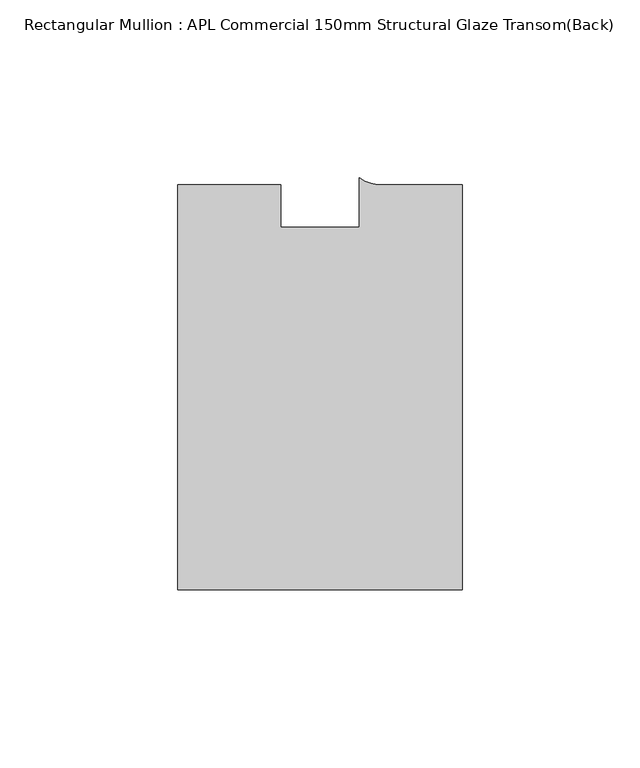
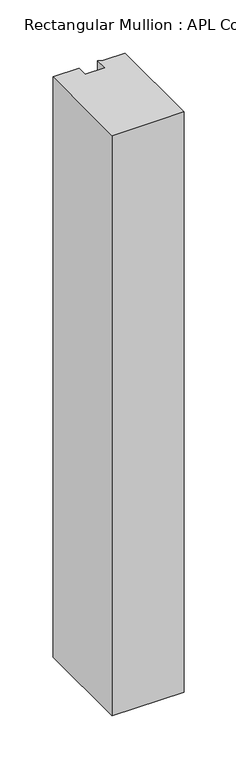
"""IFC4 building model written with IfcOpenShell, lengths in millimetres: member geometry, Rectangular Mullion : APL Commercial 150mm Structural Glaze Transom(Back)."""

from ifc_helpers import new_model, si_unit, point, frame, frame_2d, origin, place, context, project, spatial, polyline, circle_curve, trimmed, segment, composite_curve, outline, extrude, source, transform, mapped, element, save


def rectangular_mullion_apl_commercial_150mm_structural_glaze_6cd86c71(model_context):
    return source(origin(), model_context, "Body", "SweptSolid", [
        extrude(outline(composite_curve([segment(polyline([(40.0, -128.9999975), (-40.0, -128.9999975), (-40.0, -15.0000829), (-11.0000151, -15.0000829), (-11.0000151, -27.0), (11.0000151, -27.0), (11.0000151, -13.0673455)]), True, "CONTINUOUS"), segment(trimmed(circle_curve(frame_2d((17.1097719, -4.581653)), 10.4563907), [point((11.0000151, -13.0673455))], [point((17.9999542, -15.0000829))], True, "CARTESIAN"), True, "CONTINUOUS"), segment(polyline([(17.9999542, -15.0000829), (40.0, -15.0000829), (40.0, -128.9999975)]), True, "CONTINUOUS")], self_intersect=False)), frame((0.0, 0.0, -680.5785324), z_axis=(0.0, 0.0, 1.0), x_axis=(1.0, 0.0, 0.0)), (0.0, 0.0, 1.0), 680.5785324),
    ])


if __name__ == "__main__":
    model = new_model("IFC4")
    model_context = context("Model", 3, world=origin())
    ifc_project = project(units=[si_unit("LENGTHUNIT", "METRE", prefix="MILLI")], contexts=[model_context])
    site = spatial("IfcSite", under=ifc_project)
    building = spatial("IfcBuilding", under=site)
    placement = place(None, origin())
    rectangular_mullion_apl_commercial_150mm_structural_glaze_shape = rectangular_mullion_apl_commercial_150mm_structural_glaze_6cd86c71(model_context)
    element("IfcMember", 1, ObjectType="Rectangular Mullion : APL Commercial 150mm Structural Glaze Transom(Back)", at=placement, inside=building, context=model_context, shape_type="MappedRepresentation", body=[
        mapped(rectangular_mullion_apl_commercial_150mm_structural_glaze_shape, transform((0.0, 0.0, 0.0), x_axis=(1.0, 0.0, 0.0), y_axis=(0.0, 1.0, 0.0), z_axis=(0.0, 0.0, 1.0))),
    ])
    save(model, "model.ifc")
